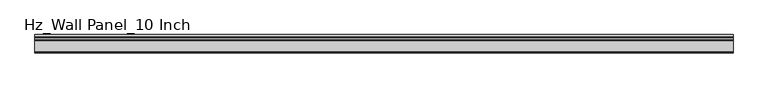
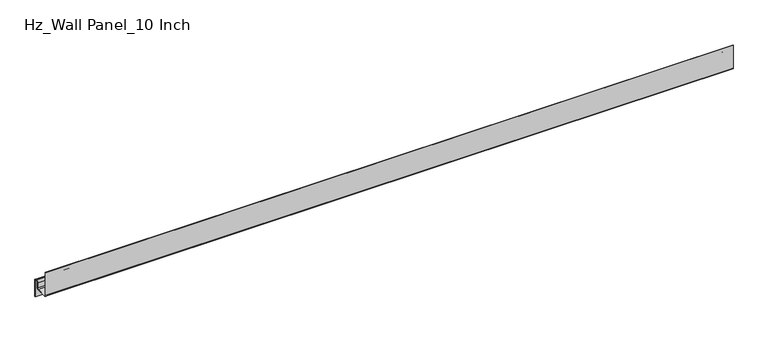
"""IFC4 building model written with IfcOpenShell, lengths in millimetres: plate geometry, Hz_Wall Panel_10 Inch."""

from ifc_helpers import new_model, si_unit, point, frame, frame_2d, origin, place, context, project, spatial, polyline, circle_curve, trimmed, segment, composite_curve, outline, extrude, source, transform, mapped, element, save


def hz_wall_panel_10_inch_38a91a68(model_context):
    return source(origin(), model_context, "Body", "SweptSolid", [
        extrude(outline(composite_curve([segment(polyline([(-38.0, 3.2130097), (-38.0, 54.1506084), (-37.2194589, 54.1506084), (-37.2194589, 3.2130097)]), True, "CONTINUOUS"), segment(trimmed(circle_curve(frame_2d((-34.7869903, 3.2130097)), 2.4324686), [point((-37.2194589, 3.2130097))], [point((-34.7869903, 0.7805411))], True, "CARTESIAN"), True, "CONTINUOUS"), segment(polyline([(-34.7869903, 0.7805411), (-12.0917985, 0.7805411)]), True, "CONTINUOUS"), segment(trimmed(circle_curve(frame_2d((-12.0917985, 3.0977725)), 2.3172314), [point((-12.0917985, 0.7805411))], [point((-9.774567, 3.0977725))], True, "CARTESIAN"), True, "CONTINUOUS"), segment(polyline([(-9.774567, 3.0977725), (-9.774567, 14.3495019)]), True, "CONTINUOUS"), segment(trimmed(circle_curve(frame_2d((-5.8962534, 14.3495019)), 3.8783136), [point((-9.774567, 14.3495019))], [point((-5.8962534, 18.2278156))], False, "CARTESIAN"), True, "CONTINUOUS"), segment(polyline([(-5.8962534, 18.2278156), (-3.8033983, 18.2278156)]), True, "CONTINUOUS"), segment(trimmed(circle_curve(frame_2d((-3.8033983, 14.3495019)), 3.8783136), [point((-3.8033983, 18.2278156))], [point((0.0749154, 14.3495019))], False, "CARTESIAN"), True, "CONTINUOUS"), segment(polyline([(0.0749154, 14.3495019), (0.0749154, -21.9340882), (-0.7056258, -21.9340882), (-0.7056258, 14.3495019)]), True, "CONTINUOUS"), segment(trimmed(circle_curve(frame_2d((-3.8033983, 14.3495019)), 3.0977725), [point((-0.7056258, 14.3495019))], [point((-3.8033983, 17.4472744))], True, "CARTESIAN"), True, "CONTINUOUS"), segment(polyline([(-3.8033983, 17.4472744), (-5.8962534, 17.4472744)]), True, "CONTINUOUS"), segment(trimmed(circle_curve(frame_2d((-5.8962534, 14.3495019)), 3.0977725), [point((-5.8962534, 17.4472744))], [point((-8.9940259, 14.3495019))], True, "CARTESIAN"), True, "CONTINUOUS"), segment(polyline([(-8.9940259, 14.3495019), (-8.9940259, 3.0977725)]), True, "CONTINUOUS"), segment(trimmed(circle_curve(frame_2d((-12.0917985, 3.0977725)), 3.0977725), [point((-8.9940259, 3.0977725))], [point((-12.0917985, 0.0))], False, "CARTESIAN"), True, "CONTINUOUS"), segment(polyline([(-12.0917985, 0.0), (-34.7869903, 0.0)]), True, "CONTINUOUS"), segment(trimmed(circle_curve(frame_2d((-34.7869903, 3.2130097)), 3.2130097), [point((-34.7869903, 0.0))], [point((-38.0, 3.2130097))], False, "CARTESIAN"), True, "CONTINUOUS")], self_intersect=False)), frame((-723.9042608, 0.0, 0.0), z_axis=(1.0, 0.0, 0.0), x_axis=(0.0, 1.0, 0.0)), (0.0, 0.0, 1.0), 1447.8085217),
    ])


if __name__ == "__main__":
    model = new_model("IFC4")
    model_context = context("Model", 3, world=origin())
    ifc_project = project(units=[si_unit("LENGTHUNIT", "METRE", prefix="MILLI")], contexts=[model_context])
    site = spatial("IfcSite", under=ifc_project)
    building = spatial("IfcBuilding", under=site)
    placement = place(None, origin())
    hz_wall_panel_10_inch_shape = hz_wall_panel_10_inch_38a91a68(model_context)
    element("IfcPlate", 1, ObjectType="Hz_Wall Panel_10 Inch", at=placement, inside=building, context=model_context, shape_type="MappedRepresentation", body=[
        mapped(hz_wall_panel_10_inch_shape, transform((0.0, 0.0, 0.0), x_axis=(1.0, 0.0, 0.0), y_axis=(0.0, 1.0, 0.0), z_axis=(0.0, 0.0, 1.0))),
    ])
    save(model, "model.ifc")
